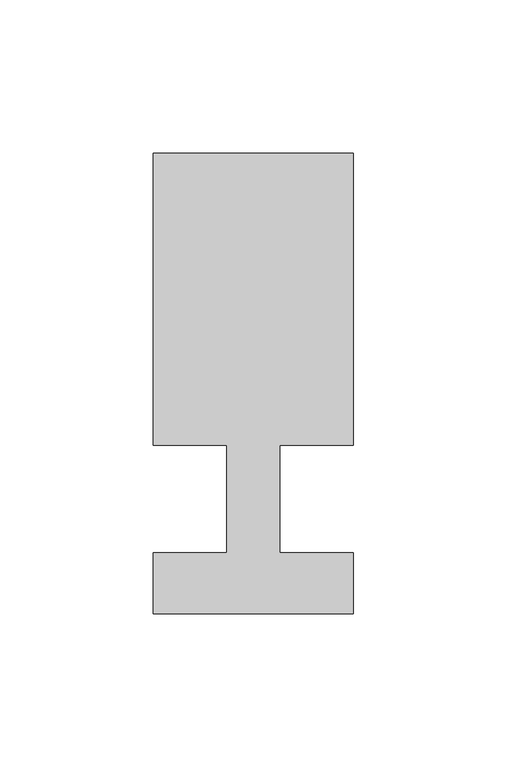
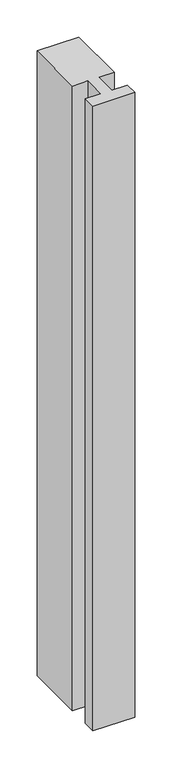
"""IFC4 building model written with IfcOpenShell, lengths in millimetres: member geometry."""

from ifc_helpers import new_model, si_unit, frame, origin, place, context, project, spatial, polyline, outline, extrude, source, transform, mapped, element, save


def member_d40b95f0(model_context):
    return source(origin(), model_context, "Body", "SweptSolid", [
        extrude(outline(polyline([(-65.0, -37.0), (-65.0, -17.0), (-41.1875, -17.0), (-41.1875, 18.0), (-65.0, 18.0), (-65.0, 113.0), (0.0, 113.0), (0.0, 18.0), (-23.8125, 18.0), (-23.8125, -17.0), (0.0, -17.0), (0.0, -37.0), (-65.0, -37.0)])), frame((0.0, 0.0, -1026.7857143), z_axis=(0.0, 0.0, 1.0), x_axis=(1.0, 0.0, 0.0)), (0.0, 0.0, 1.0), 1026.7857143),
    ])


if __name__ == "__main__":
    model = new_model("IFC4")
    model_context = context("Model", 3, world=origin())
    ifc_project = project(units=[si_unit("LENGTHUNIT", "METRE", prefix="MILLI")], contexts=[model_context])
    site = spatial("IfcSite", under=ifc_project)
    building = spatial("IfcBuilding", under=site)
    placement = place(None, origin())
    member_shape = member_d40b95f0(model_context)
    element("IfcMember", 1, at=placement, inside=building, context=model_context, shape_type="MappedRepresentation", body=[
        mapped(member_shape, transform((0.0, 0.0, 0.0), x_axis=(1.0, 0.0, 0.0), y_axis=(0.0, 1.0, 0.0), z_axis=(0.0, 0.0, 1.0))),
    ])
    save(model, "model.ifc")
